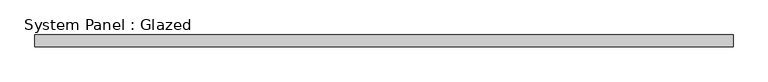
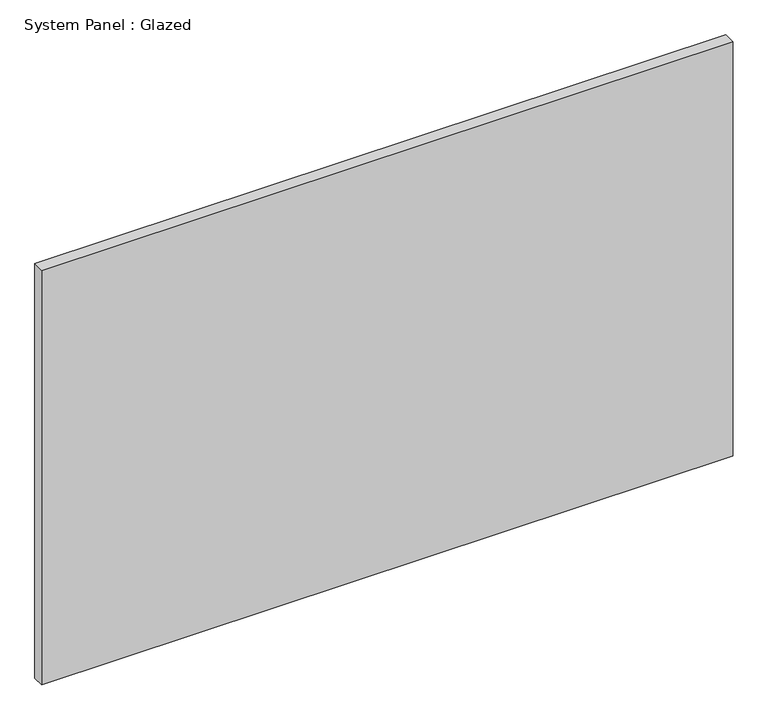
"""IFC4 building model written with IfcOpenShell, lengths in millimetres: plate geometry, System Panel : Glazed."""

import ifcopenshell
import ifcopenshell.guid

model = None  # the IFC model being written
_history = None  # IfcOwnerHistory: only IFC2X3 demands one
_inside = {}  # id of a spatial element -> (the spatial element, [elements in it])
_under = {}  # id of a project, library or spatial element -> (it, [spatial elements below it])
_declared = {}  # id of a project -> (the project, [libraries it declares])
_typed = {}  # id of a type object -> (the type object, [elements of that type])
_made_of = {}  # id of a material, layer set ... -> (it, [elements and type objects made of it])


def new_model(schema):
    """Start an empty IFC model of exactly this schema.

    Asked for "IFC4X3", IfcOpenShell would pick the latest addendum, in which some entities
    have other attributes; the version numbers below select the first issue.
    IFC2X3 requires an IfcOwnerHistory on every rooted entity: one is made here for all.
    """
    global model, _history
    if schema == "IFC4X3":
        model = ifcopenshell.file(schema_version=(4, 3, 0, 0))
    else:
        model = ifcopenshell.file(schema=schema)
    _inside.clear()
    _under.clear()
    _declared.clear()
    _typed.clear()
    _made_of.clear()
    _history = None
    if model.schema == "IFC2X3":
        org = make("IfcOrganization", Name="unknown")
        user = make(
            "IfcPersonAndOrganization",
            ThePerson=make("IfcPerson", FamilyName="unknown"),
            TheOrganization=org,
        )
        app = make(
            "IfcApplication",
            ApplicationDeveloper=org,
            Version="unknown",
            ApplicationFullName="unknown",
            ApplicationIdentifier="unknown",
        )
        _history = make(
            "IfcOwnerHistory",
            OwningUser=user,
            OwningApplication=app,
            ChangeAction="ADDED",
            CreationDate=0,
        )
    return model


def make(cls, **values):
    """One entity of the class cls with the attributes given. An attribute that is None is left unset."""
    return model.create_entity(
        cls, **{name: value for name, value in values.items() if value is not None}
    )


def rooted(cls, **values):
    """An entity with a GlobalId (a new one), such as an element, a storey or a relation."""
    return make(cls, GlobalId=ifcopenshell.guid.new(), OwnerHistory=_history, **values)


def si_unit(unit_type, name, prefix=None):
    """IfcSIUnit, for example si_unit("LENGTHUNIT", "METRE", prefix="MILLI")."""
    return make("IfcSIUnit", UnitType=unit_type, Prefix=prefix, Name=name)


def assignment(units):
    """IfcUnitAssignment: the units of a project."""
    return None if units is None else make("IfcUnitAssignment", Units=units)


def point(xyz):
    """IfcCartesianPoint."""
    return None if xyz is None else make("IfcCartesianPoint", Coordinates=xyz)


def direction(xyz):
    """IfcDirection."""
    return None if xyz is None else make("IfcDirection", DirectionRatios=xyz)


def frame(location, z_axis=None, x_axis=None):
    """IfcAxis2Placement3D, a coordinate frame: its origin and axes. An axis left out is left unset."""
    return make(
        "IfcAxis2Placement3D",
        Location=point(location),
        Axis=direction(z_axis),
        RefDirection=direction(x_axis),
    )


def origin():
    """The frame at (0, 0, 0) with its axes left unset."""
    return frame((0.0, 0.0, 0.0))


def origin_with_axes():
    """The frame at (0, 0, 0) with the z axis (0, 0, 1) and the x axis (1, 0, 0) written out."""
    return frame((0.0, 0.0, 0.0), z_axis=(0.0, 0.0, 1.0), x_axis=(1.0, 0.0, 0.0))


def place(relative_to, where):
    """IfcLocalPlacement: puts the frame where relative to a parent placement (None: the world)."""
    return make(
        "IfcLocalPlacement", PlacementRelTo=relative_to, RelativePlacement=where
    )


def context(
    kind, dimensions, precision=None, world=None, true_north=None, identifier=None
):
    """IfcGeometricRepresentationContext, for example the 3D "Model" context."""
    return make(
        "IfcGeometricRepresentationContext",
        ContextIdentifier=identifier,
        ContextType=kind,
        CoordinateSpaceDimension=dimensions,
        Precision=precision,
        WorldCoordinateSystem=world,
        TrueNorth=true_north,
    )


def project(units=None, contexts=None):
    """IfcProject with its units and contexts."""
    return rooted(
        "IfcProject",
        Name="project",
        RepresentationContexts=contexts,
        UnitsInContext=assignment(units),
    )


def spatial(cls, under=None, at=None, **own):
    """A site, building, storey or space (cls), placed at a placement, below another one or the project."""
    s = rooted(cls, ObjectPlacement=at, **own)
    if under is not None:
        _under.setdefault(under.id(), (under, []))[1].append(s)
    return s


def polyline(points):
    """IfcPolyline through the points."""
    return make("IfcPolyline", Points=[point(p) for p in points])


def outline(outer, holes=None, kind="AREA"):
    """IfcArbitraryClosedProfileDef: a profile drawn as a closed curve; with holes, ...WithVoids."""
    if holes is None:
        return make("IfcArbitraryClosedProfileDef", ProfileType=kind, OuterCurve=outer)
    return make(
        "IfcArbitraryProfileDefWithVoids",
        ProfileType=kind,
        OuterCurve=outer,
        InnerCurves=holes,
    )


def extrude(swept, where, along, depth):
    """IfcExtrudedAreaSolid: the profile swept, set in the frame where, extruded along a direction by depth."""
    return make(
        "IfcExtrudedAreaSolid",
        SweptArea=swept,
        Position=where,
        ExtrudedDirection=direction(along),
        Depth=depth,
    )


def shape(context_of_items, identifier, shape_type, items):
    """IfcShapeRepresentation: the items that make up one representation, for example the "Body"."""
    return make(
        "IfcShapeRepresentation",
        ContextOfItems=context_of_items,
        RepresentationIdentifier=identifier,
        RepresentationType=shape_type,
        Items=items,
    )


def source(mapping_origin, context_of_items, identifier, shape_type, items):
    """IfcRepresentationMap: a shape defined once, which mapped items show again and again."""
    return make(
        "IfcRepresentationMap",
        MappingOrigin=mapping_origin,
        MappedRepresentation=shape(context_of_items, identifier, shape_type, items),
    )


def transform(
    local_origin,
    x_axis=None,
    y_axis=None,
    z_axis=None,
    scale=None,
    scale2=None,
    scale3=None,
    uniform=True,
):
    """IfcCartesianTransformationOperator3D, or its non-uniform kind. x_axis, y_axis, z_axis: its Axis1, 2, 3."""
    if uniform:
        return make(
            "IfcCartesianTransformationOperator3D",
            Axis1=direction(x_axis),
            Axis2=direction(y_axis),
            LocalOrigin=point(local_origin),
            Scale=scale,
            Axis3=direction(z_axis),
        )
    return make(
        "IfcCartesianTransformationOperator3DnonUniform",
        Axis1=direction(x_axis),
        Axis2=direction(y_axis),
        LocalOrigin=point(local_origin),
        Scale=scale,
        Axis3=direction(z_axis),
        Scale2=scale2,
        Scale3=scale3,
    )


def mapped(mapping_source, mapping_target):
    """IfcMappedItem: shows the shape of a source again, moved by a transform."""
    return make(
        "IfcMappedItem", MappingSource=mapping_source, MappingTarget=mapping_target
    )


def made_of(thing, what):
    """Note that an element or type object is made of a material, layer set ...; save() writes the relation."""
    if what is not None:
        _made_of.setdefault(what.id(), (what, []))[1].append(thing)
    return thing


def element(
    cls,
    number,
    at=None,
    inside=None,
    cuts=None,
    type_object=None,
    material=None,
    context=None,
    identifier="Body",
    shape_type=None,
    held_by="IfcProductDefinitionShape",
    body=None,
    shapes=None,
    **own,
):
    """One element of the class cls, such as IfcWall. Its Tag is "e" and its number.

    at: its placement. inside: the storey or other place that contains it. cuts: it is an
    opening in that element (IfcRelVoidsElement). A single representation is given by context,
    identifier, shape_type and body (its items); several are given by shapes. held_by: the class
    of the entity that holds the representations. save() writes the other relations.
    """
    e = rooted(cls, Tag="e%d" % number, ObjectPlacement=at, **own)
    if body is not None:
        shapes = [shape(context, identifier, shape_type, body)]
    if shapes is not None:
        e.Representation = make(held_by, Representations=shapes)
    if inside is not None:
        _inside.setdefault(inside.id(), (inside, []))[1].append(e)
    if cuts is not None:
        rooted(
            "IfcRelVoidsElement", RelatingBuildingElement=cuts, RelatedOpeningElement=e
        )
    if type_object is not None:
        _typed.setdefault(type_object.id(), (type_object, []))[1].append(e)
    return made_of(e, material)


def aggregate(whole, parts):
    """IfcRelAggregates: a whole, such as a stair, and the parts it consists of."""
    return rooted("IfcRelAggregates", RelatingObject=whole, RelatedObjects=parts)


def save(model, path):
    """Write the relations noted so far, then the file.

    IfcRelAggregates (storeys below a building ...), IfcRelContainedInSpatialStructure (elements
    in a storey), IfcRelDefinesByType, IfcRelAssociatesMaterial and IfcRelDeclares: one each for
    every whole, place, type object, material and project.
    """
    for whole, parts in _under.values():
        aggregate(whole, parts)
    for where, things in _inside.values():
        rooted(
            "IfcRelContainedInSpatialStructure",
            RelatedElements=things,
            RelatingStructure=where,
        )
    for kind, things in _typed.values():
        rooted("IfcRelDefinesByType", RelatedObjects=things, RelatingType=kind)
    for what, things in _made_of.values():
        rooted("IfcRelAssociatesMaterial", RelatedObjects=things, RelatingMaterial=what)
    for by, libraries in _declared.values():
        rooted("IfcRelDeclares", RelatingContext=by, RelatedDefinitions=libraries)
    model.write(path)


def system_panel_glazed_36a5182f(model_context):
    return source(origin(), model_context, "Body", "SweptSolid", [
        extrude(outline(polyline([(762.0, 19.05), (-762.0, 19.05), (-762.0, 44.45), (762.0, 44.45), (762.0, 19.05)])), origin_with_axes(), (0.0, 0.0, 1.0), 966.6738216),
    ])


if __name__ == "__main__":
    model = new_model("IFC4")
    model_context = context("Model", 3, world=origin())
    ifc_project = project(units=[si_unit("LENGTHUNIT", "METRE", prefix="MILLI")], contexts=[model_context])
    site = spatial("IfcSite", under=ifc_project)
    building = spatial("IfcBuilding", under=site)
    placement = place(None, origin())
    system_panel_glazed_shape = system_panel_glazed_36a5182f(model_context)
    element("IfcPlate", 1, ObjectType="System Panel : Glazed", at=placement, inside=building, context=model_context, shape_type="MappedRepresentation", body=[
        mapped(system_panel_glazed_shape, transform((0.0, 0.0, 0.0), x_axis=(1.0, 0.0, 0.0), y_axis=(0.0, 1.0, 0.0), z_axis=(0.0, 0.0, 1.0))),
    ])
    save(model, "model.ifc")
